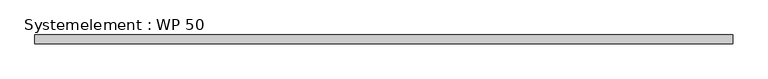
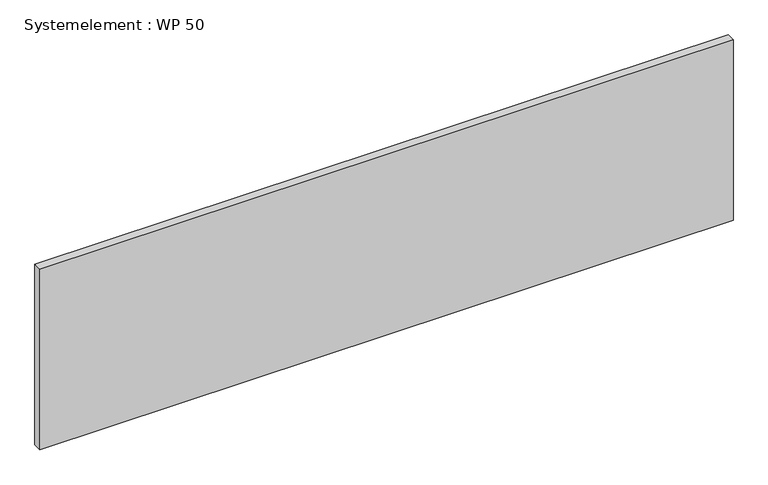
"""IFC4 building model written with IfcOpenShell, lengths in millimetres: plate geometry, Systemelement : WP 50."""

from ifc_helpers import new_model, si_unit, origin, origin_with_axes, place, context, project, spatial, polyline, outline, extrude, source, transform, mapped, element, save


def systemelement_wp_50_7cd0a383(model_context):
    return source(origin(), model_context, "Body", "SweptSolid", [
        extrude(outline(polyline([(2000.0, -50.0), (-2000.0, -50.0), (-2000.0, 0.0), (2000.0, 0.0), (2000.0, -50.0)])), origin_with_axes(), (0.0, 0.0, 1.0), 1100.0),
    ])


if __name__ == "__main__":
    model = new_model("IFC4")
    model_context = context("Model", 3, world=origin())
    ifc_project = project(units=[si_unit("LENGTHUNIT", "METRE", prefix="MILLI")], contexts=[model_context])
    site = spatial("IfcSite", under=ifc_project)
    building = spatial("IfcBuilding", under=site)
    placement = place(None, origin())
    systemelement_wp_50_shape = systemelement_wp_50_7cd0a383(model_context)
    element("IfcPlate", 1, ObjectType="Systemelement : WP 50", at=placement, inside=building, context=model_context, shape_type="MappedRepresentation", body=[
        mapped(systemelement_wp_50_shape, transform((0.0, 0.0, 0.0), x_axis=(1.0, 0.0, 0.0), y_axis=(0.0, 1.0, 0.0), z_axis=(0.0, 0.0, 1.0))),
    ])
    save(model, "model.ifc")
